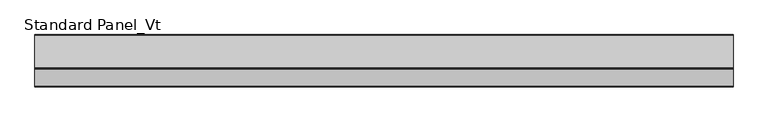
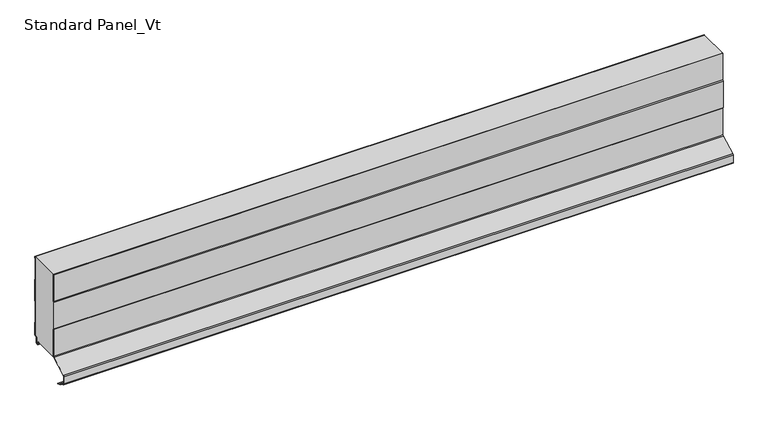
"""IFC4 building model written with IfcOpenShell, lengths in millimetres: proxy geometry, Standard Panel_Vt."""

from ifc_helpers import new_model, si_unit, point, frame, frame_2d, origin, place, context, project, spatial, polyline, circle_curve, trimmed, segment, composite_curve, outline, extrude, source, transform, mapped, element, save


def standard_panel_vt_cbb2f3a1(model_context):
    return source(origin(), model_context, "Body", "SweptSolid", [
        extrude(outline(composite_curve([segment(polyline([(-70.0, 32.543601), (-70.0, 93.6817477), (-70.9683897, 96.0633811), (-70.9683897, 156.1675713), (-70.0, 158.5492046), (-70.0, 219.2), (-69.2, 219.2), (-69.2, 158.3927799), (-70.1683897, 156.0111465), (-70.1683897, 96.2198058), (-69.2, 93.8381725), (-69.2, 32.543601)]), True, "CONTINUOUS"), segment(trimmed(circle_curve(frame_2d((-71.75, 32.543601)), 2.55), [point((-69.2, 32.543601))], [point((-70.5528475, 30.2920847))], False, "CARTESIAN"), True, "CONTINUOUS"), segment(polyline([(-70.5528475, 30.2920847), (-106.4808064, 11.1888501)]), True, "CONTINUOUS"), segment(trimmed(circle_curve(frame_2d((-105.5183897, 9.3788075)), 2.05), [point((-106.4808064, 11.1888501))], [point((-107.5683897, 9.3788075))], True, "CARTESIAN"), True, "CONTINUOUS"), segment(polyline([(-107.5683897, 9.3788075), (-107.5683897, -7.362)]), True, "CONTINUOUS"), segment(trimmed(circle_curve(frame_2d((-105.5183897, -7.362)), 2.05), [point((-107.5683897, -7.362))], [point((-106.4808064, -9.1720426))], True, "CARTESIAN"), True, "CONTINUOUS"), segment(polyline([(-106.4808064, -9.1720426), (-97.1800551, -14.1173397), (-94.9723908, -16.438449), (-91.7360251, -17.0119818), (-85.8533964, -20.139831), (-86.2289737, -20.846189), (-92.000038, -17.7776597), (-95.3708693, -17.1802976), (-97.6702585, -14.76275), (-106.8563836, -9.8784006)]), True, "CONTINUOUS"), segment(trimmed(circle_curve(frame_2d((-105.5183897, -7.362)), 2.85), [point((-106.8563836, -9.8784006))], [point((-108.3683897, -7.362))], False, "CARTESIAN"), True, "CONTINUOUS"), segment(polyline([(-108.3683897, -7.362), (-108.3683897, 9.3788075)]), True, "CONTINUOUS"), segment(trimmed(circle_curve(frame_2d((-105.5183897, 9.3788075)), 2.85), [point((-108.3683897, 9.3788075))], [point((-106.8563836, 11.8952082))], False, "CARTESIAN"), True, "CONTINUOUS"), segment(polyline([(-106.8563836, 11.8952082), (-70.9284248, 30.9984427)]), True, "CONTINUOUS"), segment(trimmed(circle_curve(frame_2d((-71.75, 32.543601)), 1.75), [point((-70.9284248, 30.9984427))], [point((-70.0, 32.543601))], True, "CARTESIAN"), True, "CONTINUOUS")], self_intersect=False)), frame((-723.9042608, 0.0, 0.0), z_axis=(1.0, 0.0, 0.0), x_axis=(0.0, 1.0, 0.0)), (0.0, 0.0, 1.0), 1447.8085217),
        extrude(outline(composite_curve([segment(polyline([(-0.8, 216.0956151), (-0.8, 219.2), (0.0, 219.2), (0.0, 215.8812557), (-1.0, 214.1492049), (-1.0, 168.1133065), (0.013703, 166.3812557), (0.013703, 116.8875118), (-0.986297, 115.1130103), (-0.986297, 69.1133065), (0.013703, 67.3812557), (0.013703, 40.153601)]), True, "CONTINUOUS"), segment(trimmed(circle_curve(frame_2d((-2.036297, 40.153601)), 2.05), [point((0.013703, 40.153601))], [point((-2.036297, 38.103601))], False, "CARTESIAN"), True, "CONTINUOUS"), segment(polyline([(-2.036297, 38.103601), (-3.436297, 38.103601)]), True, "CONTINUOUS"), segment(trimmed(circle_curve(frame_2d((-3.436297, 36.153601)), 1.95), [point((-3.436297, 38.103601))], [point((-5.386297, 36.153601))], True, "CARTESIAN"), True, "CONTINUOUS"), segment(polyline([(-5.386297, 36.153601), (-5.386297, 26.353601)]), True, "CONTINUOUS"), segment(trimmed(circle_curve(frame_2d((-9.036297, 26.353601)), 3.65), [point((-5.386297, 26.353601))], [point((-12.5927478, 25.5325297))], False, "CARTESIAN"), True, "CONTINUOUS"), segment(polyline([(-12.5927478, 25.5325297), (-13.8494131, 30.9757453), (-13.0699171, 31.1557062), (-11.8132517, 25.7124905)]), True, "CONTINUOUS"), segment(trimmed(circle_curve(frame_2d((-9.036297, 26.353601)), 2.85), [point((-11.8132517, 25.7124905))], [point((-6.186297, 26.353601))], True, "CARTESIAN"), True, "CONTINUOUS"), segment(polyline([(-6.186297, 26.353601), (-6.186297, 36.153601)]), True, "CONTINUOUS"), segment(trimmed(circle_curve(frame_2d((-3.436297, 36.153601)), 2.75), [point((-6.186297, 36.153601))], [point((-3.436297, 38.903601))], False, "CARTESIAN"), True, "CONTINUOUS"), segment(polyline([(-3.436297, 38.903601), (-2.036297, 38.903601)]), True, "CONTINUOUS"), segment(trimmed(circle_curve(frame_2d((-2.036297, 40.153601)), 1.25), [point((-2.036297, 38.903601))], [point((-0.786297, 40.153601))], True, "CARTESIAN"), True, "CONTINUOUS"), segment(polyline([(-0.786297, 40.153601), (-0.786297, 67.1668964), (-1.786297, 68.8989472), (-1.786297, 115.3229083), (-0.786297, 117.0974098), (-0.786297, 166.1668964), (-1.8, 167.8989472), (-1.8, 214.3635643), (-0.8, 216.0956151)]), True, "CONTINUOUS")], self_intersect=False)), frame((-723.9042608, 0.0, 0.0), z_axis=(1.0, 0.0, 0.0), x_axis=(0.0, 1.0, 0.0)), (0.0, 0.0, 1.0), 1447.8085217),
        extrude(outline(composite_curve([segment(polyline([(-69.2, 32.543601), (-69.2, 93.8381725), (-70.1683897, 96.2198058), (-70.1683897, 156.0111465), (-69.2, 158.3927799), (-69.2, 219.2), (-0.8, 219.2), (-0.8, 216.0956151), (-1.8, 214.3635643), (-1.8, 167.8989472), (-0.786297, 166.1668964), (-0.786297, 117.0974098), (-1.786297, 115.3229083), (-1.786297, 68.8989472), (-0.786297, 67.1668964), (-0.786297, 40.153601)]), True, "CONTINUOUS"), segment(trimmed(circle_curve(frame_2d((-2.036297, 40.153601)), 1.25), [point((-0.786297, 40.153601))], [point((-2.036297, 38.903601))], False, "CARTESIAN"), True, "CONTINUOUS"), segment(polyline([(-2.036297, 38.903601), (-3.436297, 38.903601)]), True, "CONTINUOUS"), segment(trimmed(circle_curve(frame_2d((-3.436297, 36.153601)), 2.75), [point((-3.436297, 38.903601))], [point((-6.186297, 36.153601))], True, "CARTESIAN"), True, "CONTINUOUS"), segment(polyline([(-6.186297, 36.153601), (-6.186297, 26.353601)]), True, "CONTINUOUS"), segment(trimmed(circle_curve(frame_2d((-9.036297, 26.353601)), 2.85), [point((-6.186297, 26.353601))], [point((-11.8132517, 25.7124905))], False, "CARTESIAN"), True, "CONTINUOUS"), segment(polyline([(-11.8132517, 25.7124905), (-13.0699171, 31.1557062), (-69.6107833, 31.1557062)]), True, "CONTINUOUS"), segment(trimmed(circle_curve(frame_2d((-71.75, 32.543601)), 2.55), [point((-69.6107833, 31.1557062))], [point((-69.2, 32.543601))], True, "CARTESIAN"), True, "CONTINUOUS")], self_intersect=False)), frame((-723.9042608, 0.0, 0.0), z_axis=(1.0, 0.0, 0.0), x_axis=(0.0, 1.0, 0.0)), (0.0, 0.0, 1.0), 1447.8085217),
    ])


if __name__ == "__main__":
    model = new_model("IFC4")
    model_context = context("Model", 3, world=origin())
    ifc_project = project(units=[si_unit("LENGTHUNIT", "METRE", prefix="MILLI")], contexts=[model_context])
    site = spatial("IfcSite", under=ifc_project)
    building = spatial("IfcBuilding", under=site)
    placement = place(None, origin())
    standard_panel_vt_shape = standard_panel_vt_cbb2f3a1(model_context)
    element("IfcBuildingElementProxy", 1, Name="Standard Panel_Vt", ObjectType="Standard Panel_Vt", at=placement, inside=building, context=model_context, shape_type="MappedRepresentation", body=[
        mapped(standard_panel_vt_shape, transform((0.0, 0.0, 0.0), x_axis=(1.0, 0.0, 0.0), y_axis=(0.0, 1.0, 0.0), z_axis=(0.0, 0.0, 1.0))),
    ])
    save(model, "model.ifc")
